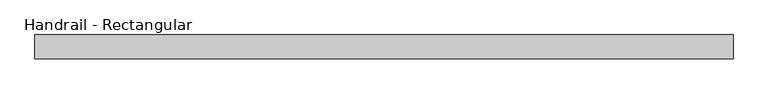
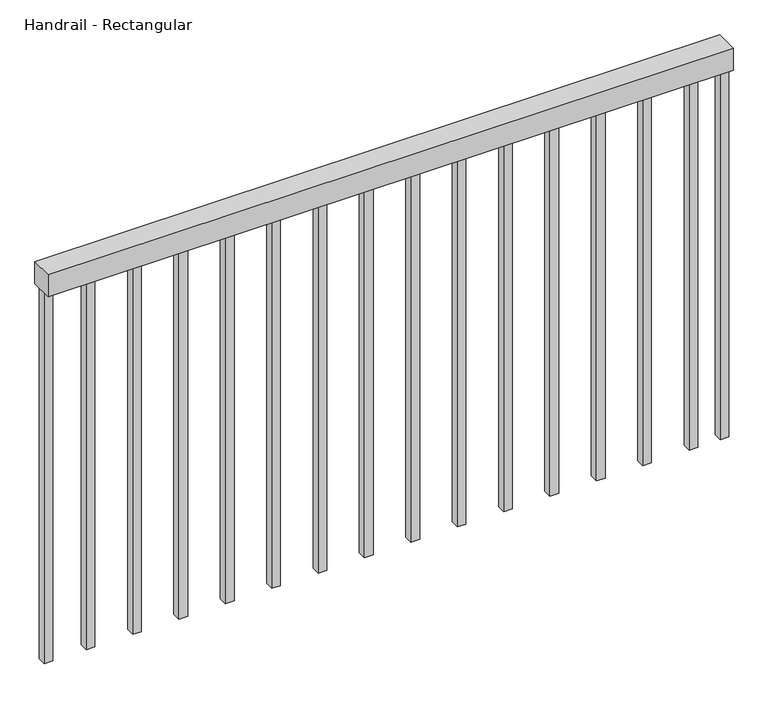
"""IFC4 building model written with IfcOpenShell, lengths in millimetres: railing geometry, Handrail - Rectangular."""

from ifc_helpers import new_model, si_unit, frame, origin, origin_with_axes, place, context, project, spatial, polyline, outline, extrude, source, transform, mapped, element, save


def handrail_rectangular_c22f35f4(model_context):
    return source(origin(), model_context, "Body", "SweptSolid", [
        extrude(outline(polyline([(6573.797955, 6318.853017), (6573.797955, 6369.653017), (8073.797955, 6369.653017), (8073.797955, 6318.853017), (6573.797955, 6318.853017)])), frame((0.0, 0.0, 859.2), z_axis=(0.0, 0.0, 1.0), x_axis=(1.0, 0.0, 0.0)), (0.0, 0.0, 1.0), 50.8),
        extrude(outline(polyline([(7986.672955, 6334.728017), (7986.672955, 6353.778017), (8005.722955, 6353.778017), (8005.722955, 6334.728017), (7986.672955, 6334.728017)])), origin_with_axes(), (0.0, 0.0, 1.0), 859.2),
        extrude(outline(polyline([(7885.072955, 6334.728017), (7885.072955, 6353.778017), (7904.122955, 6353.778017), (7904.122955, 6334.728017), (7885.072955, 6334.728017)])), origin_with_axes(), (0.0, 0.0, 1.0), 859.2),
        extrude(outline(polyline([(7783.472955, 6334.728017), (7783.472955, 6353.778017), (7802.522955, 6353.778017), (7802.522955, 6334.728017), (7783.472955, 6334.728017)])), origin_with_axes(), (0.0, 0.0, 1.0), 859.2),
        extrude(outline(polyline([(7681.872955, 6334.728017), (7681.872955, 6353.778017), (7700.922955, 6353.778017), (7700.922955, 6334.728017), (7681.872955, 6334.728017)])), origin_with_axes(), (0.0, 0.0, 1.0), 859.2),
        extrude(outline(polyline([(7580.272955, 6334.728017), (7580.272955, 6353.778017), (7599.322955, 6353.778017), (7599.322955, 6334.728017), (7580.272955, 6334.728017)])), origin_with_axes(), (0.0, 0.0, 1.0), 859.2),
        extrude(outline(polyline([(7478.672955, 6334.728017), (7478.672955, 6353.778017), (7497.722955, 6353.778017), (7497.722955, 6334.728017), (7478.672955, 6334.728017)])), origin_with_axes(), (0.0, 0.0, 1.0), 859.2),
        extrude(outline(polyline([(7377.072955, 6334.728017), (7377.072955, 6353.778017), (7396.122955, 6353.778017), (7396.122955, 6334.728017), (7377.072955, 6334.728017)])), origin_with_axes(), (0.0, 0.0, 1.0), 859.2),
        extrude(outline(polyline([(7275.472955, 6334.728017), (7275.472955, 6353.778017), (7294.522955, 6353.778017), (7294.522955, 6334.728017), (7275.472955, 6334.728017)])), origin_with_axes(), (0.0, 0.0, 1.0), 859.2),
        extrude(outline(polyline([(7173.872955, 6334.728017), (7173.872955, 6353.778017), (7192.922955, 6353.778017), (7192.922955, 6334.728017), (7173.872955, 6334.728017)])), origin_with_axes(), (0.0, 0.0, 1.0), 859.2),
        extrude(outline(polyline([(7072.272955, 6334.728017), (7072.272955, 6353.778017), (7091.322955, 6353.778017), (7091.322955, 6334.728017), (7072.272955, 6334.728017)])), origin_with_axes(), (0.0, 0.0, 1.0), 859.2),
        extrude(outline(polyline([(6970.672955, 6334.728017), (6970.672955, 6353.778017), (6989.722955, 6353.778017), (6989.722955, 6334.728017), (6970.672955, 6334.728017)])), origin_with_axes(), (0.0, 0.0, 1.0), 859.2),
        extrude(outline(polyline([(6869.072955, 6334.728017), (6869.072955, 6353.778017), (6888.122955, 6353.778017), (6888.122955, 6334.728017), (6869.072955, 6334.728017)])), origin_with_axes(), (0.0, 0.0, 1.0), 859.2),
        extrude(outline(polyline([(6767.472955, 6334.728017), (6767.472955, 6353.778017), (6786.522955, 6353.778017), (6786.522955, 6334.728017), (6767.472955, 6334.728017)])), origin_with_axes(), (0.0, 0.0, 1.0), 859.2),
        extrude(outline(polyline([(6665.872955, 6334.728017), (6665.872955, 6353.778017), (6684.922955, 6353.778017), (6684.922955, 6334.728017), (6665.872955, 6334.728017)])), origin_with_axes(), (0.0, 0.0, 1.0), 859.2),
        extrude(outline(polyline([(8054.772955, 6334.728017), (8054.772955, 6353.778017), (8073.822955, 6353.778017), (8073.822955, 6334.728017), (8054.772955, 6334.728017)])), origin_with_axes(), (0.0, 0.0, 1.0), 859.2),
        extrude(outline(polyline([(6573.772955, 6334.728017), (6573.772955, 6353.778017), (6592.822955, 6353.778017), (6592.822955, 6334.728017), (6573.772955, 6334.728017)])), origin_with_axes(), (0.0, 0.0, 1.0), 859.2),
    ])


if __name__ == "__main__":
    model = new_model("IFC4")
    model_context = context("Model", 3, world=origin())
    ifc_project = project(units=[si_unit("LENGTHUNIT", "METRE", prefix="MILLI")], contexts=[model_context])
    site = spatial("IfcSite", under=ifc_project)
    building = spatial("IfcBuilding", under=site)
    placement = place(None, origin())
    handrail_rectangular_shape = handrail_rectangular_c22f35f4(model_context)
    element("IfcRailing", 1, ObjectType="Handrail - Rectangular", at=placement, inside=building, context=model_context, shape_type="MappedRepresentation", body=[
        mapped(handrail_rectangular_shape, transform((0.0, 0.0, 0.0), x_axis=(1.0, 0.0, 0.0), y_axis=(0.0, 1.0, 0.0), z_axis=(0.0, 0.0, 1.0))),
    ])
    save(model, "model.ifc")
